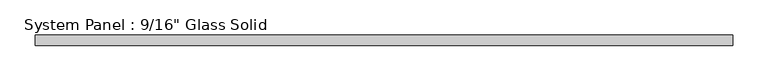
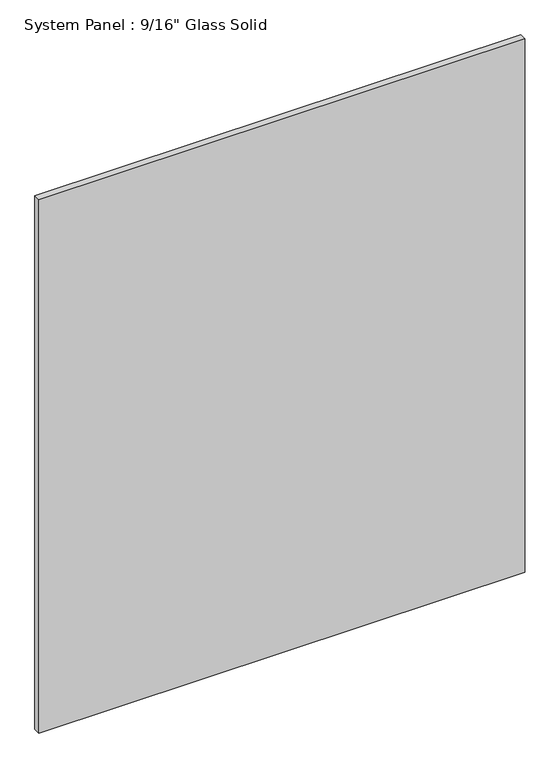
"""IFC4 building model written with IfcOpenShell, lengths in millimetres: plate geometry."""

from ifc_helpers import new_model, si_unit, origin, origin_with_axes, place, context, project, spatial, polyline, outline, extrude, source, transform, mapped, element, save


def plate_98737dd8(model_context):
    return source(origin(), model_context, "Body", "SweptSolid", [
        extrude(outline(polyline([(492.1258852, -7.14375), (-492.1258852, -7.14375), (-492.1258852, 7.14375), (492.1258852, 7.14375), (492.1258852, -7.14375)])), origin_with_axes(), (0.0, 0.0, 1.0), 1141.8441382),
    ])


if __name__ == "__main__":
    model = new_model("IFC4")
    model_context = context("Model", 3, world=origin())
    ifc_project = project(units=[si_unit("LENGTHUNIT", "METRE", prefix="MILLI")], contexts=[model_context])
    site = spatial("IfcSite", under=ifc_project)
    building = spatial("IfcBuilding", under=site)
    placement = place(None, origin())
    plate_shape = plate_98737dd8(model_context)
    element("IfcPlate", 1, ObjectType="System Panel : 9/16\" Glass Solid", at=placement, inside=building, context=model_context, shape_type="MappedRepresentation", body=[
        mapped(plate_shape, transform((0.0, 0.0, 0.0), x_axis=(1.0, 0.0, 0.0), y_axis=(0.0, 1.0, 0.0), z_axis=(0.0, 0.0, 1.0))),
    ])
    save(model, "model.ifc")
